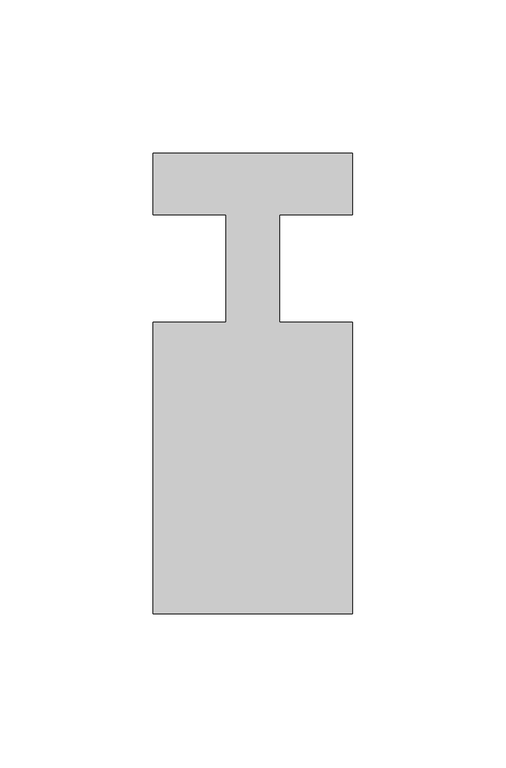
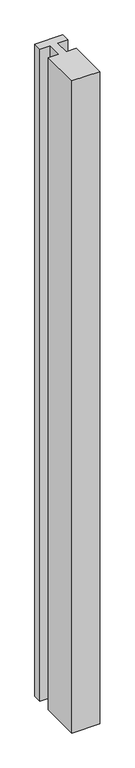
"""IFC4 building model written with IfcOpenShell, lengths in millimetres: member geometry."""

from ifc_helpers import new_model, si_unit, frame, origin, place, context, project, spatial, polyline, outline, extrude, source, transform, mapped, element, save


def member_41f2942a(model_context):
    return source(origin(), model_context, "Body", "SweptSolid", [
        extrude(outline(polyline([(-65.0, 37.0), (0.0, 37.0), (0.0, 17.0), (-23.8125, 17.0), (-23.8125, -18.0), (0.0, -18.0), (0.0, -113.0), (-65.0, -113.0), (-65.0, -18.0), (-41.1875, -18.0), (-41.1875, 17.0), (-65.0, 17.0), (-65.0, 37.0)])), frame((0.0, 0.0, -1611.1875), z_axis=(0.0, 0.0, 1.0), x_axis=(1.0, 0.0, 0.0)), (0.0, 0.0, 1.0), 1611.1875),
    ])


if __name__ == "__main__":
    model = new_model("IFC4")
    model_context = context("Model", 3, world=origin())
    ifc_project = project(units=[si_unit("LENGTHUNIT", "METRE", prefix="MILLI")], contexts=[model_context])
    site = spatial("IfcSite", under=ifc_project)
    building = spatial("IfcBuilding", under=site)
    placement = place(None, origin())
    member_shape = member_41f2942a(model_context)
    element("IfcMember", 1, at=placement, inside=building, context=model_context, shape_type="MappedRepresentation", body=[
        mapped(member_shape, transform((0.0, 0.0, 0.0), x_axis=(1.0, 0.0, 0.0), y_axis=(0.0, 1.0, 0.0), z_axis=(0.0, 0.0, 1.0))),
    ])
    save(model, "model.ifc")
